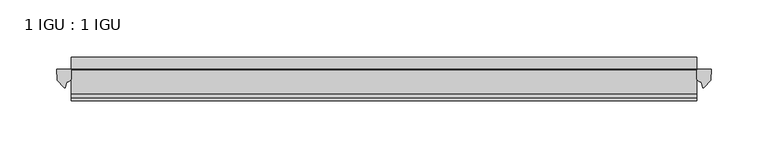
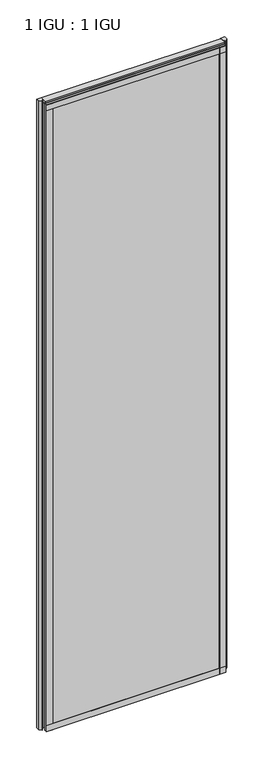
"""IFC4 building model written with IfcOpenShell, lengths in millimetres: plate geometry, 1 IGU : 1 IGU."""

from ifc_helpers import new_model, si_unit, point, frame, frame_2d, origin, place, context, project, spatial, polyline, circle_curve, ellipse_curve, trimmed, segment, composite_curve, outline, extrude, source, transform, mapped, element, save
from ifc_brep_helpers import plane_surface, cylinder_surface, revolved_surface, extruded_surface, advanced_brep


def plate_1_igu_1_igu_e565f6e1(model_context):
    return source(origin(), model_context, "Body", "SolidModel", [
        extrude(outline(polyline([(243.854271, -11.6085937), (243.854271, -18.8576359), (-307.9495835, -18.8576359), (-307.9495835, -11.6085937), (243.854271, -11.6085937)])), frame((0.0, 0.0, -19.05), z_axis=(0.0, 0.0, 1.0), x_axis=(1.0, 0.0, 0.0)), (0.0, 0.0, 1.0), 2038.3500001),
        extrude(outline(polyline([(-307.9495835, -30.7093937), (243.854271, -30.7093937), (243.854271, -37.0085937), (-307.9495835, -37.0085937), (-307.9495835, -30.7093937)])), frame((0.0, 0.0, -19.05), z_axis=(0.0, 0.0, 1.0), x_axis=(1.0, 0.0, 0.0)), (0.0, 0.0, 1.0), 2038.3500001),
        extrude(outline(composite_curve([segment(polyline([(256.9321801, -11.6101465), (256.554271, -21.3502133), (250.6162177, -27.6095865)]), True, "CONTINUOUS"), segment(trimmed(circle_curve(frame_2d((249.9434116, -27.2518492)), 0.762), [point((250.6162177, -27.6095865))], [point((249.2147074, -27.4746364))], False, "CARTESIAN"), True, "CONTINUOUS"), segment(polyline([(249.2147074, -27.4746364), (247.9528729, -23.3488397)]), True, "CONTINUOUS"), segment(trimmed(circle_curve(frame_2d((250.13483, -16.3834724)), 7.2991286), [point((247.9528729, -23.3488397))], [point((243.8544496, -20.1028944))], False, "CARTESIAN"), True, "CONTINUOUS"), segment(polyline([(243.8544496, -20.1028944), (243.8544496, -12.664425)]), True, "CONTINUOUS"), segment(trimmed(circle_curve(frame_2d((250.1357041, -16.3827796)), 7.2993369), [point((243.8544496, -12.664425))], [point((244.612816, -11.6101465))], False, "CARTESIAN"), True, "CONTINUOUS"), segment(polyline([(244.612816, -11.6101465), (256.9321801, -11.6101465)]), True, "CONTINUOUS")], self_intersect=False)), frame((0.0, 0.0, -19.05), z_axis=(0.0, 0.0, 1.0), x_axis=(1.0, 0.0, 0.0)), (0.0, 0.0, 1.0), 2045.4874001),
        extrude(outline(composite_curve([segment(polyline([(-307.9495835, -11.610702), (-307.9495835, -20.1014769)]), True, "CONTINUOUS"), segment(trimmed(circle_curve(frame_2d((-314.2307778, -16.3829847)), 7.2993552), [point((-307.9495835, -20.1014769))], [point((-312.0485332, -23.3484994))], False, "CARTESIAN"), True, "CONTINUOUS"), segment(polyline([(-312.0485332, -23.3484994), (-313.3100199, -27.4746364)]), True, "CONTINUOUS"), segment(trimmed(circle_curve(frame_2d((-314.0387241, -27.2518492)), 0.762), [point((-313.3100199, -27.4746364))], [point((-314.7115302, -27.6095865))], False, "CARTESIAN"), True, "CONTINUOUS"), segment(polyline([(-314.7115302, -27.6095865), (-320.6495835, -21.3502133), (-321.0274926, -11.610702), (-307.9495835, -11.610702)]), True, "CONTINUOUS")], self_intersect=False)), frame((0.0, 0.0, -19.05), z_axis=(0.0, 0.0, 1.0), x_axis=(1.0, 0.0, 0.0)), (0.0, 0.0, 1.0), 2045.4874001),
        extrude(outline(polyline([(-11.6085937, -15.24), (-11.6085937, 2.8161565), (-0.5298609, 1.2591422), (-0.5298609, -0.6645794), (-5.258589, 0.0), (-5.258589, -4.826), (-1.575589, -4.826), (-1.575589, -7.874), (-5.258589, -7.874), (-5.258589, -13.208), (-3.099589, -13.208), (-3.099589, -15.24), (-11.6085937, -15.24)])), frame((-307.9495835, 0.0, 0.0), z_axis=(1.0, 0.0, 0.0), x_axis=(0.0, 1.0, 0.0)), (0.0, 0.0, 1.0), 551.8038545),
        extrude(outline(polyline([(-307.9495835, -39.2945937), (-307.9495835, -37.0085937), (243.854271, -37.0085937), (243.854271, -39.2945937), (-307.9495835, -39.2945937)])), frame((0.0, 0.0, -19.05), z_axis=(0.0, 0.0, 1.0), x_axis=(1.0, 0.0, 0.0)), (0.0, 0.0, 1.0), 19.05),
        advanced_brep(
        [(-307.9495835, -24.3085937, 2018.1276629), (-307.9495835, -33.4116395, 2026.4374001), (-307.9495835, -12.7165288, 2026.4374001), (-307.9495835, -11.6085937, 2019.3000001), (-307.9495835, -17.9077937, 2019.3000001), (243.854271, -24.3085937, 2018.1276629), (243.854271, -17.9077937, 2019.3000001), (243.854271, -11.6085937, 2019.3000001), (243.854271, -12.7165288, 2026.4374001), (243.854271, -33.4116395, 2026.4374001)],
        [
            (0, 1, ellipse_curve(frame((-307.9495835, -24.3085937, 2028.8250001), z_axis=(-1.0, 0.0, 0.0), x_axis=(0.0, 0.0, -1.0)), 10.6973372, 9.3386252)),
            (1, 2),
            (2, 3, circle_curve(frame((-307.9495835, 26.2083666, 2028.8250001), z_axis=(1.0, 0.0, 0.0), x_axis=(0.0, 0.0, -1.0)), 38.9980527)),
            (3, 4),
            (4, 0, circle_curve(frame((-307.9495835, -24.3085937, 2036.1875764), z_axis=(-1.0, 0.0, 0.0), x_axis=(0.0, 0.0, -1.0)), 18.0599135)),
            (5, 6, circle_curve(frame((243.854271, -24.3085937, 2036.1875764), z_axis=(1.0, 0.0, 0.0), x_axis=(0.0, 0.0, -1.0)), 18.0599135)),
            (6, 7),
            (7, 8, circle_curve(frame((243.854271, 26.2083666, 2028.8250001), z_axis=(-1.0, 0.0, 0.0), x_axis=(0.0, 0.0, -1.0)), 38.9980527)),
            (8, 9),
            (9, 5, ellipse_curve(frame((243.854271, -24.3085937, 2028.8250001), z_axis=(1.0, 0.0, 0.0), x_axis=(0.0, 0.0, -1.0)), 10.6973372, 9.3386252)),
            (0, 5),
            (9, 1),
            (8, 2),
            (7, 3),
            (6, 4),
        ],
        [
            plane_surface(frame((-307.9495835, -9.2273437, 2028.8250001), z_axis=(-1.0, 0.0, 0.0), x_axis=(0.0, 1.0, 0.0))),
            plane_surface(frame((243.854271, -9.2273438, 2028.8250001), z_axis=(1.0, 0.0, 0.0), x_axis=(0.0, 1.0, 0.0))),
            extruded_surface(trimmed(ellipse_curve(frame((243.854271, -24.3085937, 2028.8250001), z_axis=(-1.0, 0.0, 0.0), x_axis=(0.0, 0.0, -1.0)), 10.6973372, 9.3386252), [point((243.854271, -24.3085937, 2018.1276629))], [point((243.854271, -33.4116395, 2026.4374001))], True, "CARTESIAN"), (-551.8038545, 0.0, 0.0), 551.8038545),
            plane_surface(frame((-307.9495835, -33.4116395, 2026.4374001), z_axis=(0.0, 0.0, 1.0), x_axis=(1.0, 0.0, 0.0))),
            revolved_surface(polyline([(243.85427100000004, 26.2083666, 1989.8269473999999), (-307.9495835, 26.2083666, 1989.8269473999999)]), (-307.9495835, 26.2083666, 2028.8250001), (1.0, 0.0, 0.0)),
            plane_surface(frame((-307.9495835, -11.6085937, 2019.3000001), z_axis=(0.0, 0.0, -1.0), x_axis=(1.0, 0.0, 0.0))),
            cylinder_surface(frame((-307.9495835, -24.3085937, 2036.1875764), z_axis=(-1.0, 0.0, 0.0), x_axis=(0.0, 0.0, -1.0)), 18.0599135),
        ],
        [
            (0, [[1, 2, 3, 4, 5]]),
            (1, [[6, 7, 8, 9, 10]]),
            (2, [[-1, 11, -10, 12]]),
            (3, [[-2, -12, -9, 13]]),
            (4, [[-3, -13, -8, 14]]),
            (5, [[-4, -14, -7, 15]]),
            (6, [[-5, -15, -6, -11]]),
        ],
    ),
        extrude(outline(polyline([(-307.9495835, -39.2945937), (-307.9495835, -37.0085937), (243.854271, -37.0085937), (243.854271, -39.2945937), (-307.9495835, -39.2945937)])), frame((0.0, 0.0, 2000.2500001), z_axis=(0.0, 0.0, 1.0), x_axis=(1.0, 0.0, 0.0)), (0.0, 0.0, 1.0), 19.05),
        extrude(outline(polyline([(224.804271, -37.0085937), (243.854271, -37.0085937), (243.854271, -39.2945938), (224.804271, -39.2945938), (224.804271, -37.0085937)])), frame((0.0, 0.0, -19.05), z_axis=(0.0, 0.0, 1.0), x_axis=(1.0, 0.0, 0.0)), (0.0, 0.0, 1.0), 2038.3500001),
        extrude(outline(polyline([(-307.9495835, -39.2945937), (-307.9495835, -37.0085937), (-288.8995835, -37.0085937), (-288.8995835, -39.2945937), (-307.9495835, -39.2945937)])), frame((0.0, 0.0, -19.05), z_axis=(0.0, 0.0, 1.0), x_axis=(1.0, 0.0, 0.0)), (0.0, 0.0, 1.0), 2038.3500001),
    ])


if __name__ == "__main__":
    model = new_model("IFC4")
    model_context = context("Model", 3, world=origin())
    ifc_project = project(units=[si_unit("LENGTHUNIT", "METRE", prefix="MILLI")], contexts=[model_context])
    site = spatial("IfcSite", under=ifc_project)
    building = spatial("IfcBuilding", under=site)
    placement = place(None, origin())
    plate_1_igu_1_igu_shape = plate_1_igu_1_igu_e565f6e1(model_context)
    element("IfcPlate", 1, ObjectType="1 IGU : 1 IGU", at=placement, inside=building, context=model_context, shape_type="MappedRepresentation", body=[
        mapped(plate_1_igu_1_igu_shape, transform((0.0, 0.0, 0.0), x_axis=(1.0, 0.0, 0.0), y_axis=(0.0, 1.0, 0.0), z_axis=(0.0, 0.0, 1.0))),
    ])
    save(model, "model.ifc")
